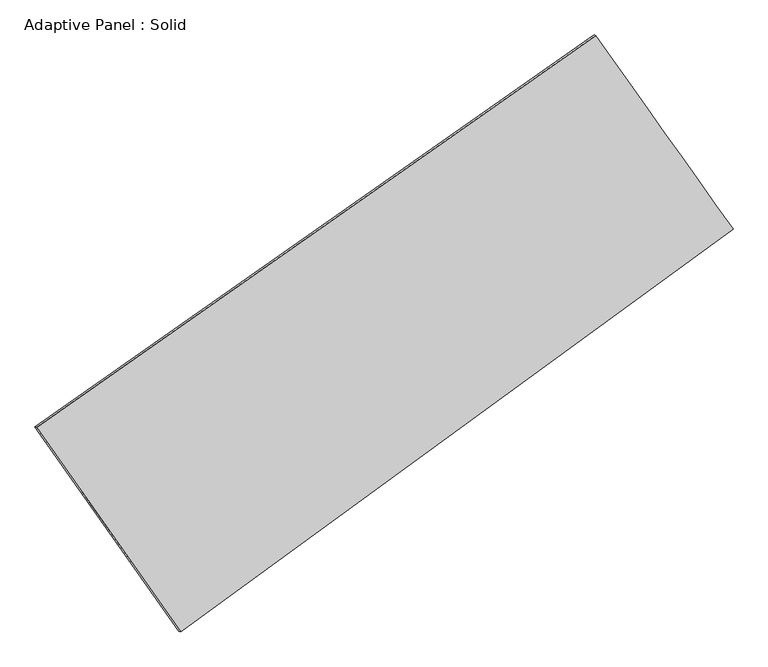
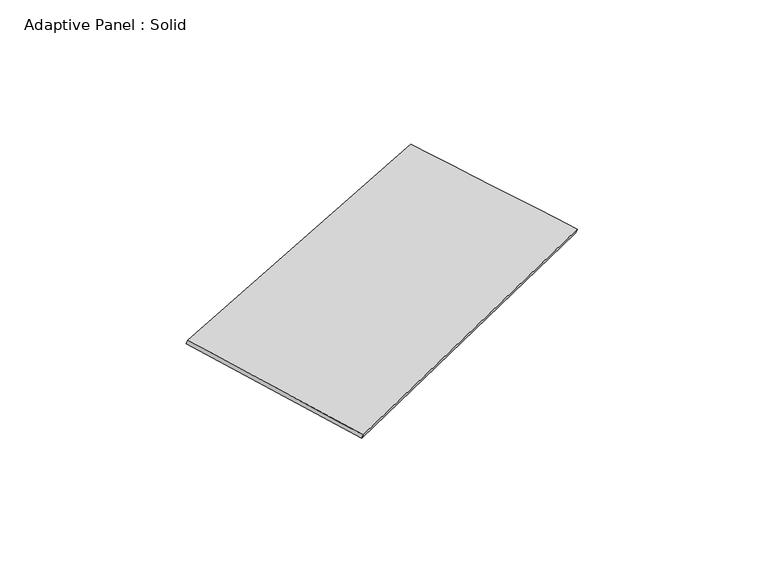
"""IFC4 building model written with IfcOpenShell, lengths in millimetres: plate geometry, Adaptive Panel : Solid."""

from ifc_helpers import new_model, si_unit, frame, origin, place, context, project, spatial, source, transform, mapped, element, save
from ifc_brep_helpers import plane_surface, spline_surface, advanced_brep


def adaptive_panel_solid_dc4ed15d(model_context):
    return source(origin(), model_context, "Body", "AdvancedBrep", [
        advanced_brep(
        [(1125.7330226, 2410.2190696, 641.9181491), (-3621.2690801, -919.5097748, 1696.9538076), (-3606.6027243, -925.8898683, 1744.3267156), (1140.3993784, 2403.8389761, 689.2910571), (-2399.7161044, -2657.084359, 1051.9433634), (-2385.0497486, -2663.4644525, 1099.3162714), (2291.9615838, 766.1264914, 94.3072001), (2306.6279397, 759.7463979, 141.6801081)],
        [
            (0, 1),
            (1, 2),
            (2, 3),
            (3, 0),
            (1, 4),
            (4, 5),
            (5, 2),
            (4, 6),
            (6, 7),
            (7, 5),
            (6, 0),
            (3, 7),
        ],
        [
            plane_surface(frame((-1247.7680288, 745.3546474, 1169.4359783), z_axis=(-0.5124561999326126, 0.8156556524379261, 0.2685041895328404), x_axis=(-0.8054537866842281, -0.5649760940324806, 0.17901455440226025))),
            plane_surface(frame((-3010.4925923, -1788.2970669, 1374.4485855), z_axis=(-0.7787970695934882, -0.6066841074628933, 0.15940363278341083), x_axis=(0.5503051677018446, -0.7827710234550584, -0.29057485651681103))),
            plane_surface(frame((-53.8772603, -945.4789338, 573.1252818), z_axis=(0.5302576237007559, -0.8029193658506903, -0.27230009998006477), x_axis=(0.7970647480423957, 0.5815660996432616, -0.16269191490002338))),
            plane_surface(frame((1708.8473032, 1588.1727805, 368.1126746), z_axis=(0.7793007093500909, 0.6059706938108029, -0.15965563769845223), x_axis=(-0.5583296706407351, 0.7871061455762058, 0.26216768389406214))),
            spline_surface(1, 1, [[(-3606.6027243, -925.8898683, 1744.3267156), (1140.3993784, 2403.8389761, 689.2910571)], [(-2385.0497486, -2663.4644525, 1099.3162714), (2306.6279397, 759.7463979, 141.6801081)]], [2, 2], [2, 2], [0.0, 1.0], [0.0, 1.0]),
            spline_surface(1, 1, [[(2291.9615838, 766.1264914, 94.3072001), (1125.7330226, 2410.2190696, 641.9181491)], [(-2399.7161044, -2657.084359, 1051.9433634), (-3621.2690801, -919.5097748, 1696.9538076)]], [2, 2], [2, 2], [0.0, 1.0], [0.0, 1.0]),
        ],
        [
            (0, [[1, 2, 3, 4]]),
            (1, [[5, 6, 7, -2]]),
            (2, [[8, 9, 10, -6]]),
            (3, [[11, -4, 12, -9]]),
            (4, [[-3, -7, -10, -12]]),
            (5, [[-11, -8, -5, -1]]),
        ],
    ),
    ])


if __name__ == "__main__":
    model = new_model("IFC4")
    model_context = context("Model", 3, world=origin())
    ifc_project = project(units=[si_unit("LENGTHUNIT", "METRE", prefix="MILLI")], contexts=[model_context])
    site = spatial("IfcSite", under=ifc_project)
    building = spatial("IfcBuilding", under=site)
    placement = place(None, origin())
    adaptive_panel_solid_shape = adaptive_panel_solid_dc4ed15d(model_context)
    element("IfcPlate", 1, ObjectType="Adaptive Panel : Solid", at=placement, inside=building, context=model_context, shape_type="MappedRepresentation", body=[
        mapped(adaptive_panel_solid_shape, transform((0.0, 0.0, 0.0), x_axis=(1.0, 0.0, 0.0), y_axis=(0.0, 1.0, 0.0), z_axis=(0.0, 0.0, 1.0))),
    ])
    save(model, "model.ifc")
